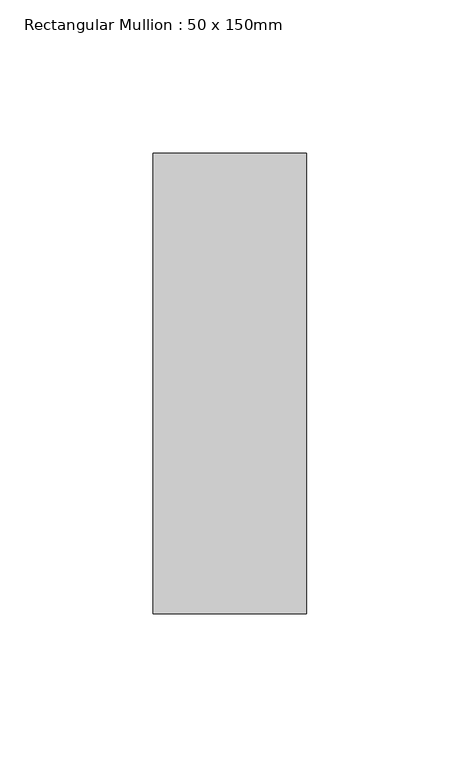
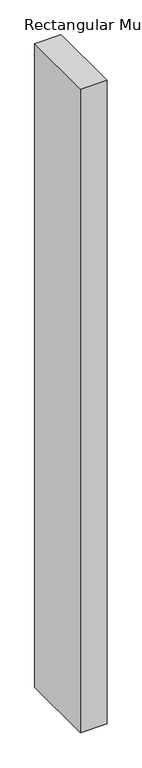
"""IFC4 building model written with IfcOpenShell, lengths in millimetres: member geometry, Rectangular Mullion : 50 x 150mm."""

from ifc_helpers import new_model, si_unit, frame, origin, place, context, project, spatial, polyline, outline, extrude, source, transform, mapped, element, save


def rectangular_mullion_50_x_150mm_9d32843e(model_context):
    return source(origin(), model_context, "Body", "SweptSolid", [
        extrude(outline(polyline([(25.0, 75.0), (25.0, -75.0), (-25.0, -75.0), (-25.0, 75.0), (25.0, 75.0)])), frame((0.0, 0.0, -1287.5), z_axis=(0.0, 0.0, 1.0), x_axis=(1.0, 0.0, 0.0)), (0.0, 0.0, 1.0), 1287.5),
    ])


if __name__ == "__main__":
    model = new_model("IFC4")
    model_context = context("Model", 3, world=origin())
    ifc_project = project(units=[si_unit("LENGTHUNIT", "METRE", prefix="MILLI")], contexts=[model_context])
    site = spatial("IfcSite", under=ifc_project)
    building = spatial("IfcBuilding", under=site)
    placement = place(None, origin())
    rectangular_mullion_50_x_150mm_shape = rectangular_mullion_50_x_150mm_9d32843e(model_context)
    element("IfcMember", 1, ObjectType="Rectangular Mullion : 50 x 150mm", at=placement, inside=building, context=model_context, shape_type="MappedRepresentation", body=[
        mapped(rectangular_mullion_50_x_150mm_shape, transform((0.0, 0.0, 0.0), x_axis=(1.0, 0.0, 0.0), y_axis=(0.0, 1.0, 0.0), z_axis=(0.0, 0.0, 1.0))),
    ])
    save(model, "model.ifc")
